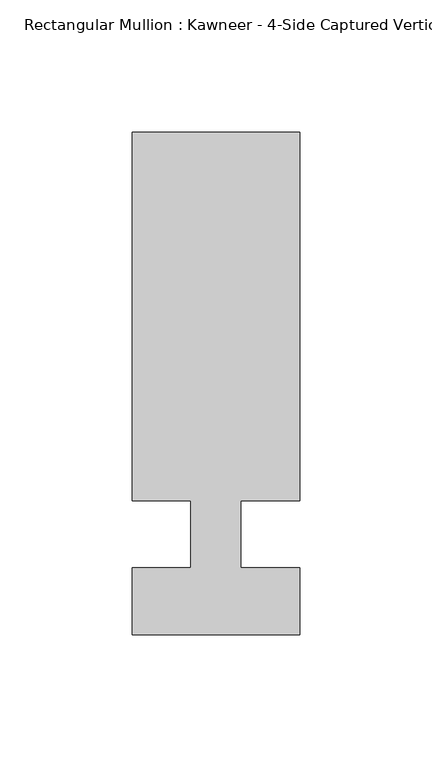
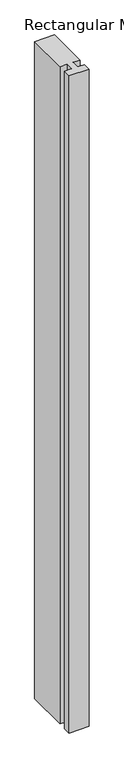
"""IFC4 building model written with IfcOpenShell, lengths in millimetres: member geometry."""

from ifc_helpers import new_model, si_unit, frame, origin, place, context, project, spatial, polyline, outline, extrude, source, transform, mapped, element, save


def member_b9f7e8f5(model_context):
    return source(origin(), model_context, "Body", "SweptSolid", [
        extrude(outline(polyline([(-9.5251132, -12.7), (-9.5251132, 12.7), (-31.75, 12.7), (-31.75, 152.399995), (31.75, 152.399995), (31.75, 12.7), (9.5251132, 12.7), (9.5251132, -12.7), (31.75, -12.7), (31.75, -38.1), (-31.75, -38.1), (-31.75, -12.7), (-9.5251132, -12.7)])), frame((0.0, 0.0, -2212.5077323), z_axis=(0.0, 0.0, 1.0), x_axis=(1.0, 0.0, 0.0)), (0.0, 0.0, 1.0), 2212.5077323),
    ])


if __name__ == "__main__":
    model = new_model("IFC4")
    model_context = context("Model", 3, world=origin())
    ifc_project = project(units=[si_unit("LENGTHUNIT", "METRE", prefix="MILLI")], contexts=[model_context])
    site = spatial("IfcSite", under=ifc_project)
    building = spatial("IfcBuilding", under=site)
    placement = place(None, origin())
    member_shape = member_b9f7e8f5(model_context)
    element("IfcMember", 1, ObjectType="Rectangular Mullion : Kawneer - 4-Side Captured Vertical Mullion - 7 1/2\"", at=placement, inside=building, context=model_context, shape_type="MappedRepresentation", body=[
        mapped(member_shape, transform((0.0, 0.0, 0.0), x_axis=(1.0, 0.0, 0.0), y_axis=(0.0, 1.0, 0.0), z_axis=(0.0, 0.0, 1.0))),
    ])
    save(model, "model.ifc")
